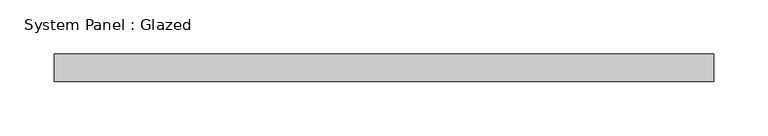
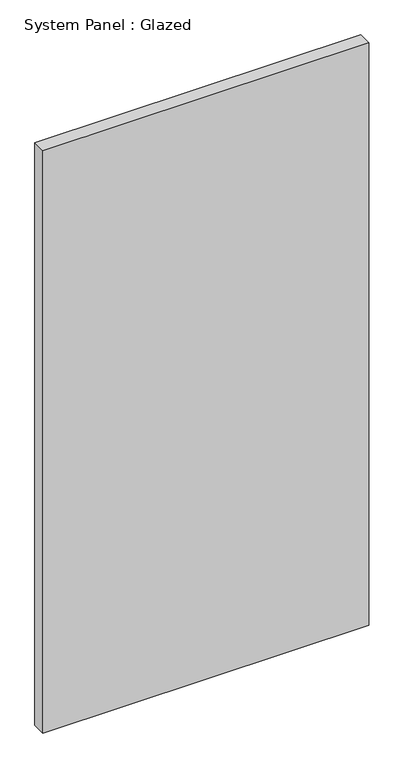
"""IFC4 building model written with IfcOpenShell, lengths in millimetres: plate geometry, System Panel : Glazed."""

import ifcopenshell
import ifcopenshell.guid

model = None  # the IFC model being written
_history = None  # IfcOwnerHistory: only IFC2X3 demands one
_inside = {}  # id of a spatial element -> (the spatial element, [elements in it])
_under = {}  # id of a project, library or spatial element -> (it, [spatial elements below it])
_declared = {}  # id of a project -> (the project, [libraries it declares])
_typed = {}  # id of a type object -> (the type object, [elements of that type])
_made_of = {}  # id of a material, layer set ... -> (it, [elements and type objects made of it])


def new_model(schema):
    """Start an empty IFC model of exactly this schema.

    Asked for "IFC4X3", IfcOpenShell would pick the latest addendum, in which some entities
    have other attributes; the version numbers below select the first issue.
    IFC2X3 requires an IfcOwnerHistory on every rooted entity: one is made here for all.
    """
    global model, _history
    if schema == "IFC4X3":
        model = ifcopenshell.file(schema_version=(4, 3, 0, 0))
    else:
        model = ifcopenshell.file(schema=schema)
    _inside.clear()
    _under.clear()
    _declared.clear()
    _typed.clear()
    _made_of.clear()
    _history = None
    if model.schema == "IFC2X3":
        org = make("IfcOrganization", Name="unknown")
        user = make(
            "IfcPersonAndOrganization",
            ThePerson=make("IfcPerson", FamilyName="unknown"),
            TheOrganization=org,
        )
        app = make(
            "IfcApplication",
            ApplicationDeveloper=org,
            Version="unknown",
            ApplicationFullName="unknown",
            ApplicationIdentifier="unknown",
        )
        _history = make(
            "IfcOwnerHistory",
            OwningUser=user,
            OwningApplication=app,
            ChangeAction="ADDED",
            CreationDate=0,
        )
    return model


def make(cls, **values):
    """One entity of the class cls with the attributes given. An attribute that is None is left unset."""
    return model.create_entity(
        cls, **{name: value for name, value in values.items() if value is not None}
    )


def rooted(cls, **values):
    """An entity with a GlobalId (a new one), such as an element, a storey or a relation."""
    return make(cls, GlobalId=ifcopenshell.guid.new(), OwnerHistory=_history, **values)


def si_unit(unit_type, name, prefix=None):
    """IfcSIUnit, for example si_unit("LENGTHUNIT", "METRE", prefix="MILLI")."""
    return make("IfcSIUnit", UnitType=unit_type, Prefix=prefix, Name=name)


def assignment(units):
    """IfcUnitAssignment: the units of a project."""
    return None if units is None else make("IfcUnitAssignment", Units=units)


def point(xyz):
    """IfcCartesianPoint."""
    return None if xyz is None else make("IfcCartesianPoint", Coordinates=xyz)


def direction(xyz):
    """IfcDirection."""
    return None if xyz is None else make("IfcDirection", DirectionRatios=xyz)


def frame(location, z_axis=None, x_axis=None):
    """IfcAxis2Placement3D, a coordinate frame: its origin and axes. An axis left out is left unset."""
    return make(
        "IfcAxis2Placement3D",
        Location=point(location),
        Axis=direction(z_axis),
        RefDirection=direction(x_axis),
    )


def origin():
    """The frame at (0, 0, 0) with its axes left unset."""
    return frame((0.0, 0.0, 0.0))


def origin_with_axes():
    """The frame at (0, 0, 0) with the z axis (0, 0, 1) and the x axis (1, 0, 0) written out."""
    return frame((0.0, 0.0, 0.0), z_axis=(0.0, 0.0, 1.0), x_axis=(1.0, 0.0, 0.0))


def place(relative_to, where):
    """IfcLocalPlacement: puts the frame where relative to a parent placement (None: the world)."""
    return make(
        "IfcLocalPlacement", PlacementRelTo=relative_to, RelativePlacement=where
    )


def context(
    kind, dimensions, precision=None, world=None, true_north=None, identifier=None
):
    """IfcGeometricRepresentationContext, for example the 3D "Model" context."""
    return make(
        "IfcGeometricRepresentationContext",
        ContextIdentifier=identifier,
        ContextType=kind,
        CoordinateSpaceDimension=dimensions,
        Precision=precision,
        WorldCoordinateSystem=world,
        TrueNorth=true_north,
    )


def project(units=None, contexts=None):
    """IfcProject with its units and contexts."""
    return rooted(
        "IfcProject",
        Name="project",
        RepresentationContexts=contexts,
        UnitsInContext=assignment(units),
    )


def spatial(cls, under=None, at=None, **own):
    """A site, building, storey or space (cls), placed at a placement, below another one or the project."""
    s = rooted(cls, ObjectPlacement=at, **own)
    if under is not None:
        _under.setdefault(under.id(), (under, []))[1].append(s)
    return s


def polyline(points):
    """IfcPolyline through the points."""
    return make("IfcPolyline", Points=[point(p) for p in points])


def outline(outer, holes=None, kind="AREA"):
    """IfcArbitraryClosedProfileDef: a profile drawn as a closed curve; with holes, ...WithVoids."""
    if holes is None:
        return make("IfcArbitraryClosedProfileDef", ProfileType=kind, OuterCurve=outer)
    return make(
        "IfcArbitraryProfileDefWithVoids",
        ProfileType=kind,
        OuterCurve=outer,
        InnerCurves=holes,
    )


def extrude(swept, where, along, depth):
    """IfcExtrudedAreaSolid: the profile swept, set in the frame where, extruded along a direction by depth."""
    return make(
        "IfcExtrudedAreaSolid",
        SweptArea=swept,
        Position=where,
        ExtrudedDirection=direction(along),
        Depth=depth,
    )


def shape(context_of_items, identifier, shape_type, items):
    """IfcShapeRepresentation: the items that make up one representation, for example the "Body"."""
    return make(
        "IfcShapeRepresentation",
        ContextOfItems=context_of_items,
        RepresentationIdentifier=identifier,
        RepresentationType=shape_type,
        Items=items,
    )


def source(mapping_origin, context_of_items, identifier, shape_type, items):
    """IfcRepresentationMap: a shape defined once, which mapped items show again and again."""
    return make(
        "IfcRepresentationMap",
        MappingOrigin=mapping_origin,
        MappedRepresentation=shape(context_of_items, identifier, shape_type, items),
    )


def transform(
    local_origin,
    x_axis=None,
    y_axis=None,
    z_axis=None,
    scale=None,
    scale2=None,
    scale3=None,
    uniform=True,
):
    """IfcCartesianTransformationOperator3D, or its non-uniform kind. x_axis, y_axis, z_axis: its Axis1, 2, 3."""
    if uniform:
        return make(
            "IfcCartesianTransformationOperator3D",
            Axis1=direction(x_axis),
            Axis2=direction(y_axis),
            LocalOrigin=point(local_origin),
            Scale=scale,
            Axis3=direction(z_axis),
        )
    return make(
        "IfcCartesianTransformationOperator3DnonUniform",
        Axis1=direction(x_axis),
        Axis2=direction(y_axis),
        LocalOrigin=point(local_origin),
        Scale=scale,
        Axis3=direction(z_axis),
        Scale2=scale2,
        Scale3=scale3,
    )


def mapped(mapping_source, mapping_target):
    """IfcMappedItem: shows the shape of a source again, moved by a transform."""
    return make(
        "IfcMappedItem", MappingSource=mapping_source, MappingTarget=mapping_target
    )


def made_of(thing, what):
    """Note that an element or type object is made of a material, layer set ...; save() writes the relation."""
    if what is not None:
        _made_of.setdefault(what.id(), (what, []))[1].append(thing)
    return thing


def element(
    cls,
    number,
    at=None,
    inside=None,
    cuts=None,
    type_object=None,
    material=None,
    context=None,
    identifier="Body",
    shape_type=None,
    held_by="IfcProductDefinitionShape",
    body=None,
    shapes=None,
    **own,
):
    """One element of the class cls, such as IfcWall. Its Tag is "e" and its number.

    at: its placement. inside: the storey or other place that contains it. cuts: it is an
    opening in that element (IfcRelVoidsElement). A single representation is given by context,
    identifier, shape_type and body (its items); several are given by shapes. held_by: the class
    of the entity that holds the representations. save() writes the other relations.
    """
    e = rooted(cls, Tag="e%d" % number, ObjectPlacement=at, **own)
    if body is not None:
        shapes = [shape(context, identifier, shape_type, body)]
    if shapes is not None:
        e.Representation = make(held_by, Representations=shapes)
    if inside is not None:
        _inside.setdefault(inside.id(), (inside, []))[1].append(e)
    if cuts is not None:
        rooted(
            "IfcRelVoidsElement", RelatingBuildingElement=cuts, RelatedOpeningElement=e
        )
    if type_object is not None:
        _typed.setdefault(type_object.id(), (type_object, []))[1].append(e)
    return made_of(e, material)


def aggregate(whole, parts):
    """IfcRelAggregates: a whole, such as a stair, and the parts it consists of."""
    return rooted("IfcRelAggregates", RelatingObject=whole, RelatedObjects=parts)


def save(model, path):
    """Write the relations noted so far, then the file.

    IfcRelAggregates (storeys below a building ...), IfcRelContainedInSpatialStructure (elements
    in a storey), IfcRelDefinesByType, IfcRelAssociatesMaterial and IfcRelDeclares: one each for
    every whole, place, type object, material and project.
    """
    for whole, parts in _under.values():
        aggregate(whole, parts)
    for where, things in _inside.values():
        rooted(
            "IfcRelContainedInSpatialStructure",
            RelatedElements=things,
            RelatingStructure=where,
        )
    for kind, things in _typed.values():
        rooted("IfcRelDefinesByType", RelatedObjects=things, RelatingType=kind)
    for what, things in _made_of.values():
        rooted("IfcRelAssociatesMaterial", RelatedObjects=things, RelatingMaterial=what)
    for by, libraries in _declared.values():
        rooted("IfcRelDeclares", RelatingContext=by, RelatedDefinitions=libraries)
    model.write(path)


def system_panel_glazed_f39cf302(model_context):
    return source(origin(), model_context, "Body", "SweptSolid", [
        extrude(outline(polyline([(304.0126, -12.7), (-304.0126, -12.7), (-304.0126, 12.7), (304.0126, 12.7), (304.0126, -12.7)])), origin_with_axes(), (0.0, 0.0, 1.0), 1148.5626254),
    ])


if __name__ == "__main__":
    model = new_model("IFC4")
    model_context = context("Model", 3, world=origin())
    ifc_project = project(units=[si_unit("LENGTHUNIT", "METRE", prefix="MILLI")], contexts=[model_context])
    site = spatial("IfcSite", under=ifc_project)
    building = spatial("IfcBuilding", under=site)
    placement = place(None, origin())
    system_panel_glazed_shape = system_panel_glazed_f39cf302(model_context)
    element("IfcPlate", 1, ObjectType="System Panel : Glazed", at=placement, inside=building, context=model_context, shape_type="MappedRepresentation", body=[
        mapped(system_panel_glazed_shape, transform((0.0, 0.0, 0.0), x_axis=(1.0, 0.0, 0.0), y_axis=(0.0, 1.0, 0.0), z_axis=(0.0, 0.0, 1.0))),
    ])
    save(model, "model.ifc")
